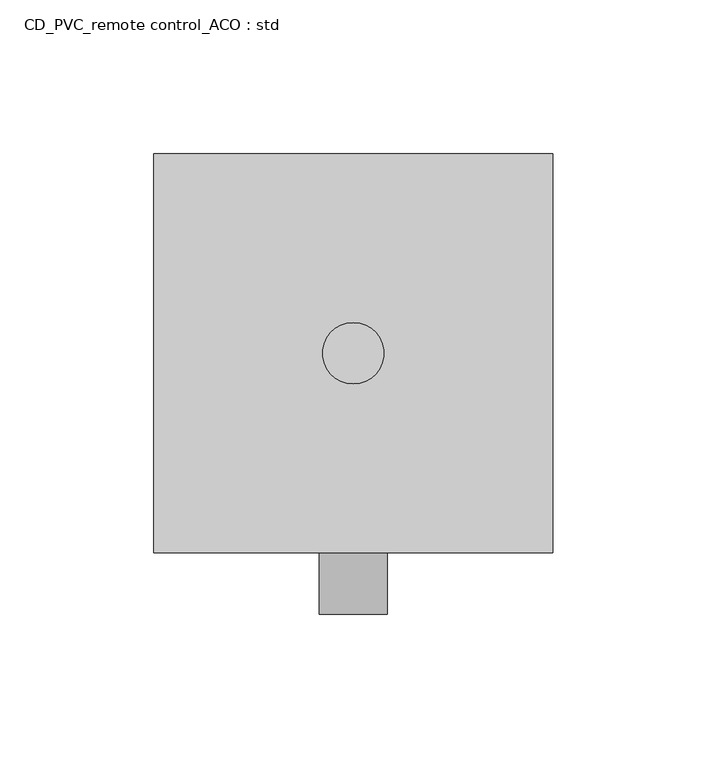
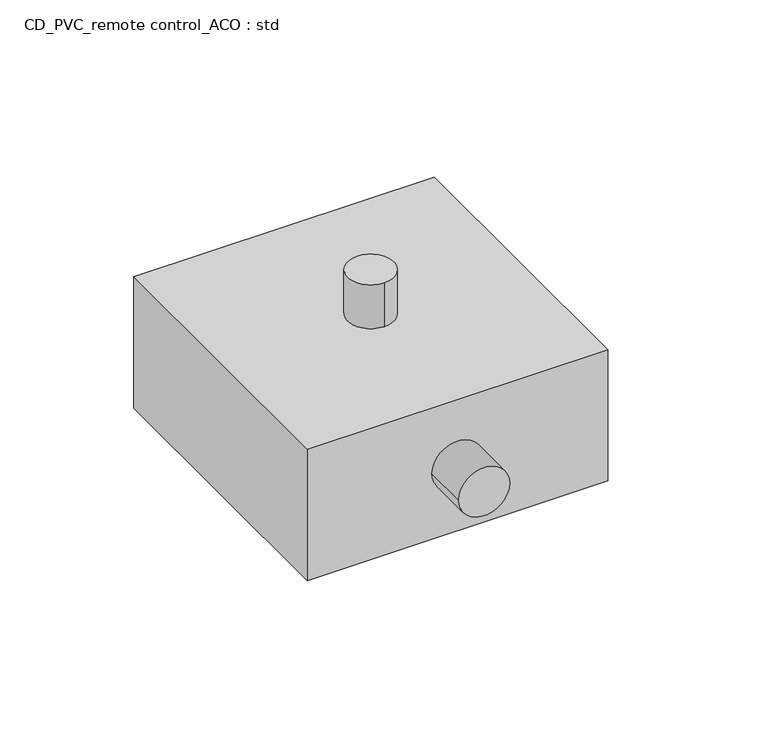
"""IFC4 building model written with IfcOpenShell, lengths in millimetres: proxy geometry, CD_PVC_remote control_ACO : std."""

from ifc_helpers import new_model, si_unit, point, frame, frame_2d, origin, origin_with_axes, origin_2d, place, context, project, spatial, polyline, circle_curve, trimmed, segment, composite_curve, outline, extrude, source, transform, mapped, element, save


def cd_pvc_remote_control_aco_std_7b1f1c58(model_context):
    return source(origin(), model_context, "Body", "SweptSolid", [
        extrude(outline(composite_curve([segment(trimmed(circle_curve(origin_2d(), 10.0), [point((0.0, 10.0))], [point((0.0, -10.0))], False, "CARTESIAN"), True, "CONTINUOUS"), segment(trimmed(circle_curve(origin_2d(), 10.0), [point((0.0, -10.0))], [point((0.0, 10.0))], False, "CARTESIAN"), True, "CONTINUOUS")], self_intersect=False)), frame((0.0, 0.0, 60.0), z_axis=(0.0, 0.0, 1.0), x_axis=(1.0, 0.0, 0.0)), (0.0, 0.0, 1.0), 20.0),
        extrude(outline(composite_curve([segment(trimmed(circle_curve(frame_2d((30.0, 0.0)), 11.0), [point((30.0, -11.0))], [point((30.0, 11.0))], False, "CARTESIAN"), True, "CONTINUOUS"), segment(trimmed(circle_curve(frame_2d((30.0, 0.0)), 11.0), [point((30.0, 11.0))], [point((30.0, -11.0))], False, "CARTESIAN"), True, "CONTINUOUS")], self_intersect=False)), frame((0.0, -85.0, 0.0), z_axis=(0.0, 1.0, 0.0), x_axis=(0.0, 0.0, 1.0)), (0.0, 0.0, 1.0), 20.0),
        extrude(outline(polyline([(65.0, 65.0), (65.0, -65.0), (-65.0, -65.0), (-65.0, 65.0), (65.0, 65.0)])), origin_with_axes(), (0.0, 0.0, 1.0), 60.0),
    ])


if __name__ == "__main__":
    model = new_model("IFC4")
    model_context = context("Model", 3, world=origin())
    ifc_project = project(units=[si_unit("LENGTHUNIT", "METRE", prefix="MILLI")], contexts=[model_context])
    site = spatial("IfcSite", under=ifc_project)
    building = spatial("IfcBuilding", under=site)
    placement = place(None, origin())
    cd_pvc_remote_control_aco_std_shape = cd_pvc_remote_control_aco_std_7b1f1c58(model_context)
    element("IfcBuildingElementProxy", 1, Name="CD_PVC_remote control_ACO : std", ObjectType="CD_PVC_remote control_ACO : std", at=placement, inside=building, context=model_context, shape_type="MappedRepresentation", body=[
        mapped(cd_pvc_remote_control_aco_std_shape, transform((0.0, 0.0, 0.0), x_axis=(1.0, 0.0, 0.0), y_axis=(0.0, 1.0, 0.0), z_axis=(0.0, 0.0, 1.0))),
    ])
    save(model, "model.ifc")
